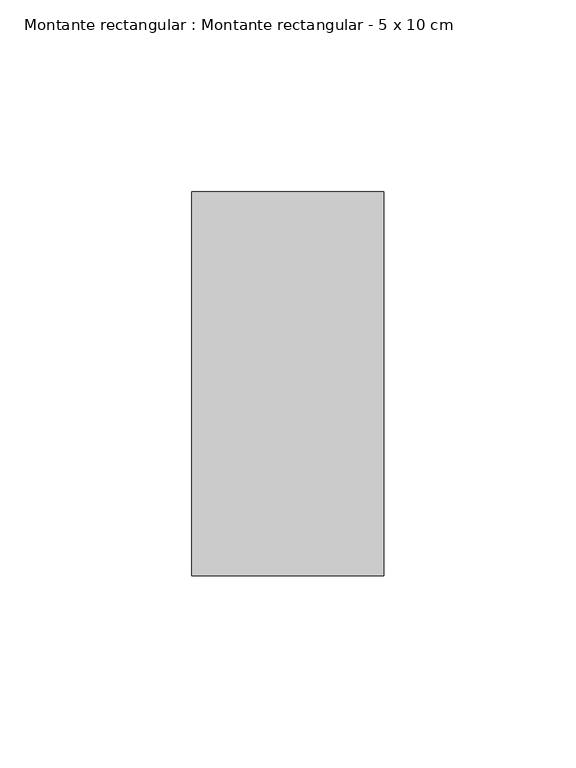
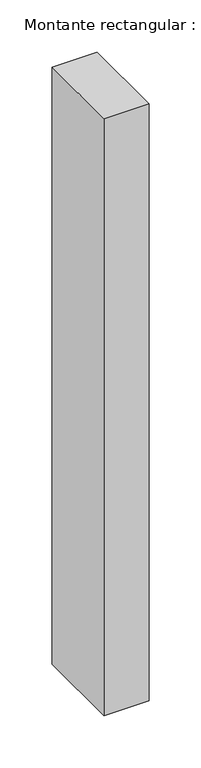
"""IFC4 building model written with IfcOpenShell, lengths in millimetres: member geometry, Montante rectangular : Montante rectangular - 5 x 10 cm."""

from ifc_helpers import new_model, si_unit, frame, origin, place, context, project, spatial, polyline, outline, extrude, source, transform, mapped, element, save


def montante_rectangular_montante_rectangular_5_x_10_cm_be469fed(model_context):
    return source(origin(), model_context, "Body", "SweptSolid", [
        extrude(outline(polyline([(0.0, 50.0), (0.0, -50.0), (-50.0, -50.0), (-50.0, 50.0), (0.0, 50.0)])), frame((0.0, 0.0, -700.0), z_axis=(0.0, 0.0, 1.0), x_axis=(1.0, 0.0, 0.0)), (0.0, 0.0, 1.0), 700.0),
    ])


if __name__ == "__main__":
    model = new_model("IFC4")
    model_context = context("Model", 3, world=origin())
    ifc_project = project(units=[si_unit("LENGTHUNIT", "METRE", prefix="MILLI")], contexts=[model_context])
    site = spatial("IfcSite", under=ifc_project)
    building = spatial("IfcBuilding", under=site)
    placement = place(None, origin())
    montante_rectangular_montante_rectangular_5_x_10_cm_shape = montante_rectangular_montante_rectangular_5_x_10_cm_be469fed(model_context)
    element("IfcMember", 1, ObjectType="Montante rectangular : Montante rectangular - 5 x 10 cm", at=placement, inside=building, context=model_context, shape_type="MappedRepresentation", body=[
        mapped(montante_rectangular_montante_rectangular_5_x_10_cm_shape, transform((0.0, 0.0, 0.0), x_axis=(1.0, 0.0, 0.0), y_axis=(0.0, 1.0, 0.0), z_axis=(0.0, 0.0, 1.0))),
    ])
    save(model, "model.ifc")
